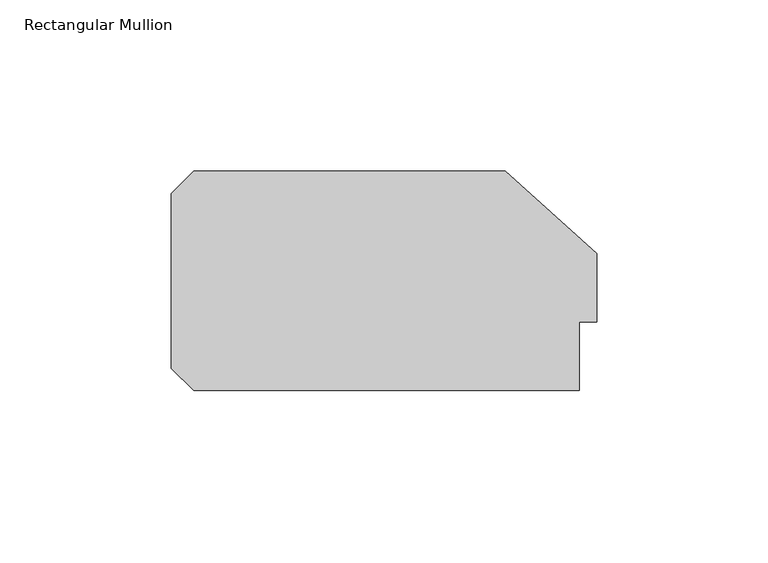
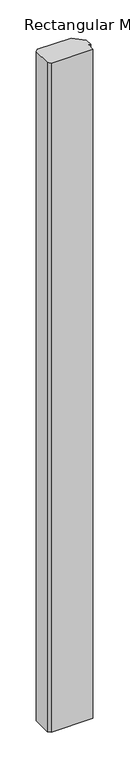
"""IFC4 building model written with IfcOpenShell, lengths in millimetres: member geometry, Rectangular Mullion."""

from ifc_helpers import new_model, si_unit, frame, origin, place, context, project, spatial, polyline, outline, extrude, source, transform, mapped, element, save


def rectangular_mullion_d76e895c(model_context):
    return source(origin(), model_context, "Body", "SweptSolid", [
        extrude(outline(polyline([(-5.0, 20.0), (-5.0, 0.0), (-117.5, 0.0), (-124.0, 6.5), (-124.0, 57.5), (-117.5, 64.0), (-26.6547004, 64.0), (0.0, 40.0), (0.0, 20.0), (-5.0, 20.0)])), frame((0.0, 0.0, -1899.9999998), z_axis=(0.0, 0.0, 1.0), x_axis=(1.0, 0.0, 0.0)), (0.0, 0.0, 1.0), 1899.9999998),
    ])


if __name__ == "__main__":
    model = new_model("IFC4")
    model_context = context("Model", 3, world=origin())
    ifc_project = project(units=[si_unit("LENGTHUNIT", "METRE", prefix="MILLI")], contexts=[model_context])
    site = spatial("IfcSite", under=ifc_project)
    building = spatial("IfcBuilding", under=site)
    placement = place(None, origin())
    rectangular_mullion_shape = rectangular_mullion_d76e895c(model_context)
    element("IfcMember", 1, ObjectType="Rectangular Mullion", at=placement, inside=building, context=model_context, shape_type="MappedRepresentation", body=[
        mapped(rectangular_mullion_shape, transform((0.0, 0.0, 0.0), x_axis=(1.0, 0.0, 0.0), y_axis=(0.0, 1.0, 0.0), z_axis=(0.0, 0.0, 1.0))),
    ])
    save(model, "model.ifc")
